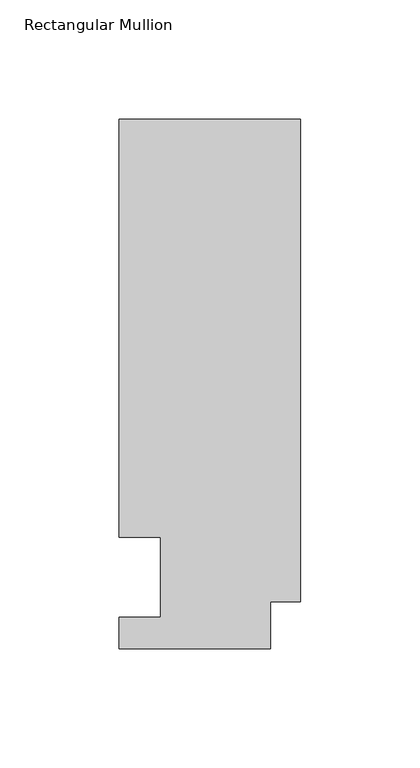
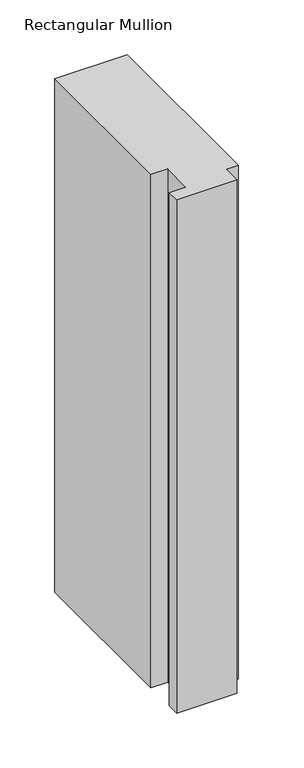
"""IFC4 building model written with IfcOpenShell, lengths in millimetres: member geometry, Rectangular Mullion."""

from ifc_helpers import new_model, si_unit, frame, origin, place, context, project, spatial, polyline, outline, extrude, source, transform, mapped, element, save


def rectangular_mullion_78d99c8a(model_context):
    return source(origin(), model_context, "Body", "SweptSolid", [
        extrude(outline(polyline([(0.0, 222.0301312), (0.0, 19.5667312), (-12.7, 19.5667312), (-12.7, 0.041758), (-76.2, 0.041758), (-76.2, 13.224358), (-58.7375002, 13.224358), (-58.7375002, 46.7447302), (-76.2000001, 46.7447302), (-76.2000001, 222.0301312), (0.0, 222.0301312)])), frame((0.0, 0.0, -571.3114229), z_axis=(0.0, 0.0, 1.0), x_axis=(1.0, 0.0, 0.0)), (0.0, 0.0, 1.0), 571.3114229),
    ])


if __name__ == "__main__":
    model = new_model("IFC4")
    model_context = context("Model", 3, world=origin())
    ifc_project = project(units=[si_unit("LENGTHUNIT", "METRE", prefix="MILLI")], contexts=[model_context])
    site = spatial("IfcSite", under=ifc_project)
    building = spatial("IfcBuilding", under=site)
    placement = place(None, origin())
    rectangular_mullion_shape = rectangular_mullion_78d99c8a(model_context)
    element("IfcMember", 1, ObjectType="Rectangular Mullion", at=placement, inside=building, context=model_context, shape_type="MappedRepresentation", body=[
        mapped(rectangular_mullion_shape, transform((0.0, 0.0, 0.0), x_axis=(1.0, 0.0, 0.0), y_axis=(0.0, 1.0, 0.0), z_axis=(0.0, 0.0, 1.0))),
    ])
    save(model, "model.ifc")
